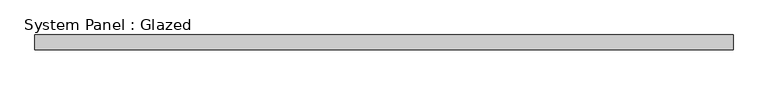
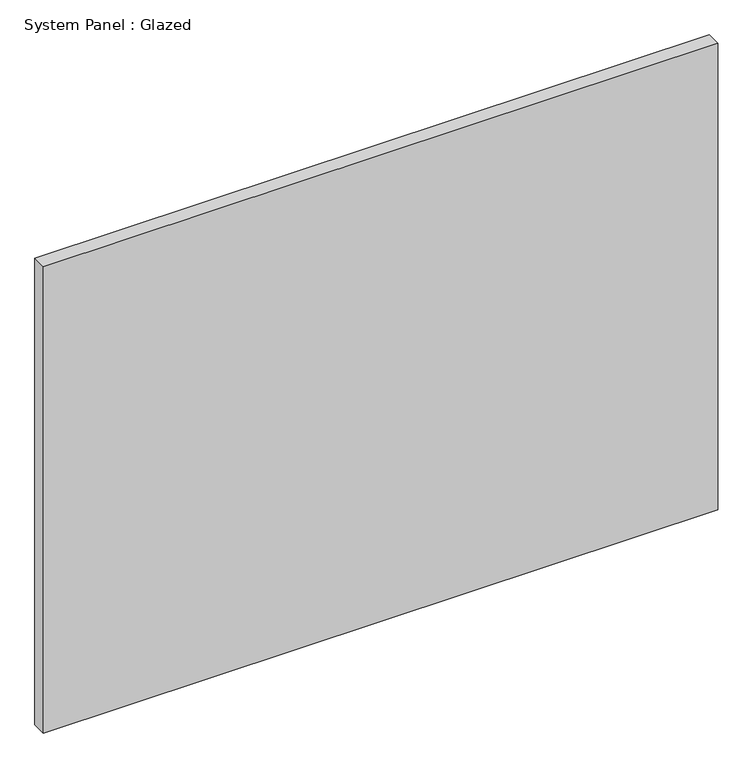
"""IFC4 building model written with IfcOpenShell, lengths in millimetres: plate geometry, System Panel : Glazed."""

from ifc_helpers import new_model, si_unit, origin, origin_with_axes, place, context, project, spatial, polyline, outline, extrude, source, transform, mapped, element, save


def system_panel_glazed_33976cdc(model_context):
    return source(origin(), model_context, "Body", "SweptSolid", [
        extrude(outline(polyline([(590.55, -44.45), (-590.55, -44.45), (-590.55, -19.05), (590.55, -19.05), (590.55, -44.45)])), origin_with_axes(), (0.0, 0.0, 1.0), 863.6),
    ])


if __name__ == "__main__":
    model = new_model("IFC4")
    model_context = context("Model", 3, world=origin())
    ifc_project = project(units=[si_unit("LENGTHUNIT", "METRE", prefix="MILLI")], contexts=[model_context])
    site = spatial("IfcSite", under=ifc_project)
    building = spatial("IfcBuilding", under=site)
    placement = place(None, origin())
    system_panel_glazed_shape = system_panel_glazed_33976cdc(model_context)
    element("IfcPlate", 1, ObjectType="System Panel : Glazed", at=placement, inside=building, context=model_context, shape_type="MappedRepresentation", body=[
        mapped(system_panel_glazed_shape, transform((0.0, 0.0, 0.0), x_axis=(1.0, 0.0, 0.0), y_axis=(0.0, 1.0, 0.0), z_axis=(0.0, 0.0, 1.0))),
    ])
    save(model, "model.ifc")
